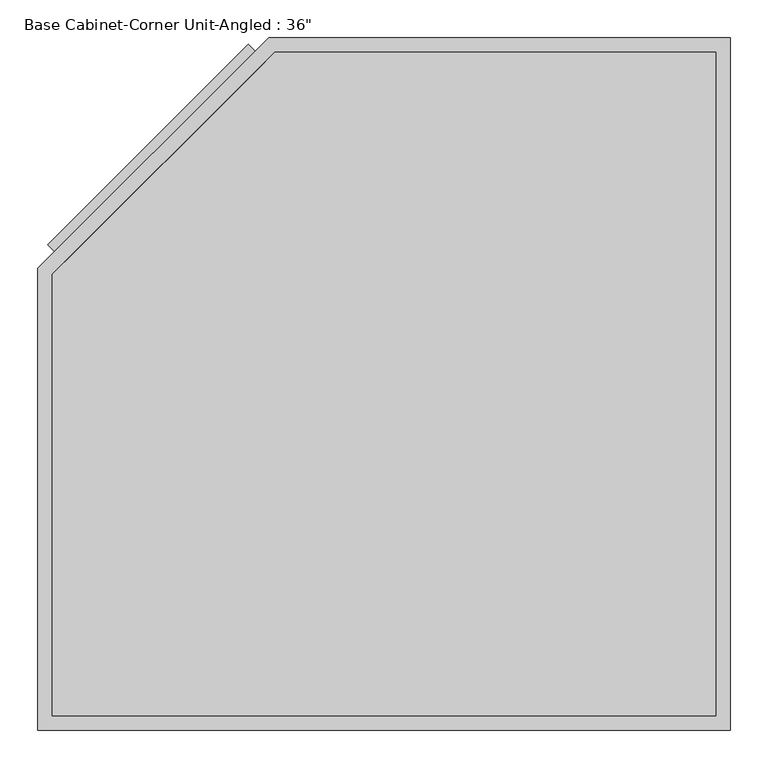
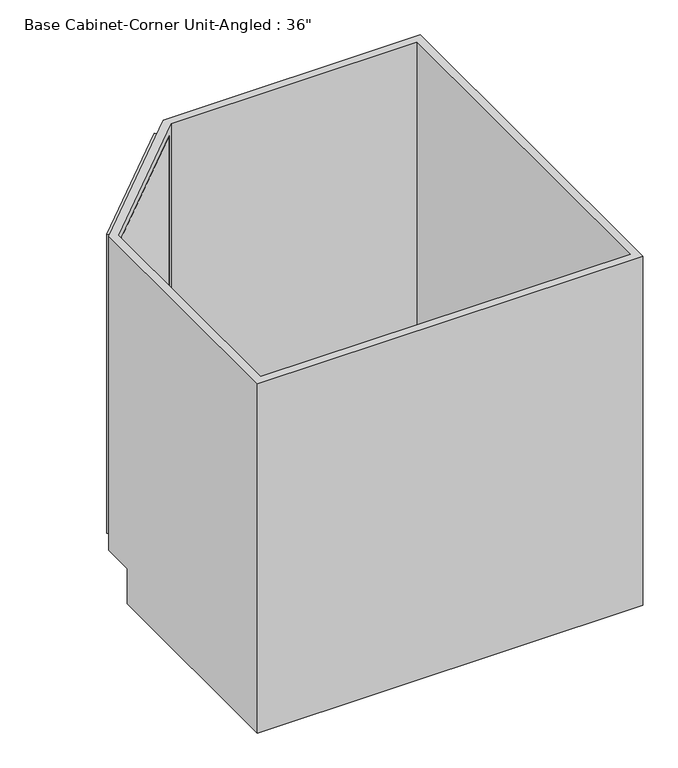
"""IFC4 building model written with IfcOpenShell, lengths in millimetres: furniture geometry."""

from ifc_helpers import new_model, si_unit, frame, origin, place, context, project, spatial, polyline, outline, extrude, faceted_brep, source, transform, mapped, element, save


def furniture_3126905c(model_context):
    return source(origin(), model_context, "Body", "SolidModel", [
        extrude(outline(polyline([(-109.5319116, 905.7284105), (-87.105109, 883.2539578), (-352.3035566, 618.6177794), (-374.7303593, 641.0922321), (-109.5319116, 905.7284105)])), frame((0.0, 0.0, 107.95), z_axis=(0.0, 0.0, 1.0), x_axis=(1.0, 0.0, 0.0)), (0.0, 0.0, 1.0), 749.3),
        faceted_brep([(526.7377049, 0.0, 876.3), (526.7377049, 914.4, 876.3), (-82.8622951, 914.4, 876.3), (-387.6622951, 610.2462317, 876.3), (-387.6622951, 0.0, 876.3), (-368.6122951, 602.3436184, 876.3), (-74.9833665, 895.35, 876.3), (507.6877049, 895.35, 876.3), (507.6877049, 19.05, 876.3), (-368.6122951, 19.05, 876.3), (-6.6622951, 914.4, 88.9), (-25.743465, 895.35, 88.9), (-74.9833665, 895.35, 88.9), (-368.6122951, 602.3436184, 88.9), (-368.6122951, 553.0412615, 88.9), (-387.6622951, 534.0223805, 88.9), (-387.6622951, 610.2462317, 88.9), (-82.8622951, 914.4, 88.9), (-387.6622951, 0.0, 0.0), (526.7377049, 0.0, 0.0), (-387.6622951, 534.0223805, 0.0), (-368.6122951, 19.05, 88.9), (507.6877049, 19.05, 88.9), (507.6877049, 895.35, 88.9), (526.7377049, 914.4, 0.0), (-6.6622951, 914.4, 0.0), (-100.5611906, 896.7386294, 857.25), (-365.7596382, 632.102451, 857.25), (-365.7596382, 632.102451, 107.95), (-100.5611906, 896.7386294, 107.95), (-87.105109, 883.2539578, 107.95), (-352.3035566, 618.6177794, 107.95), (-352.3035566, 618.6177794, 857.25), (-87.105109, 883.2539578, 857.25)], [[[0, 1, 2, 3, 4], [5, 6, 7, 8, 9]], [[10, 11, 12, 13, 14, 15, 16, 17]], [[4, 18, 19, 0]], [[3, 16, 15, 20, 18, 4]], [[9, 21, 14, 13, 5]], [[8, 22, 21, 9]], [[7, 23, 22, 8]], [[6, 12, 11, 23, 7]], [[1, 24, 25, 10, 17, 2]], [[0, 19, 24, 1]], [[14, 21, 22, 23, 11]], [[19, 18, 20, 25, 24]], [[20, 15, 14, 11, 10, 25]], [[2, 17, 16, 3], [26, 27, 28, 29]], [[5, 13, 12, 6], [30, 31, 32, 33]], [[30, 33, 26, 29]], [[29, 28, 31, 30]], [[28, 27, 32, 31]], [[33, 32, 27, 26]]]),
        extrude(outline(polyline([(507.6877049, 19.05), (-368.6122951, 19.05), (-368.6122951, 602.3436184), (-74.9833665, 895.35), (507.6877049, 895.35), (507.6877049, 19.05)])), frame((0.0, 0.0, 88.9), z_axis=(0.0, 0.0, 1.0), x_axis=(1.0, 0.0, 0.0)), (0.0, 0.0, 1.0), 19.05),
    ])


if __name__ == "__main__":
    model = new_model("IFC4")
    model_context = context("Model", 3, world=origin())
    ifc_project = project(units=[si_unit("LENGTHUNIT", "METRE", prefix="MILLI")], contexts=[model_context])
    site = spatial("IfcSite", under=ifc_project)
    building = spatial("IfcBuilding", under=site)
    placement = place(None, origin())
    furniture_shape = furniture_3126905c(model_context)
    element("IfcFurniture", 1, ObjectType="Base Cabinet-Corner Unit-Angled : 36\"", at=placement, inside=building, context=model_context, shape_type="MappedRepresentation", body=[
        mapped(furniture_shape, transform((0.0, 0.0, 0.0), x_axis=(1.0, 0.0, 0.0), y_axis=(0.0, 1.0, 0.0), z_axis=(0.0, 0.0, 1.0))),
    ])
    save(model, "model.ifc")
